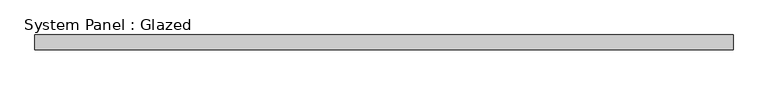
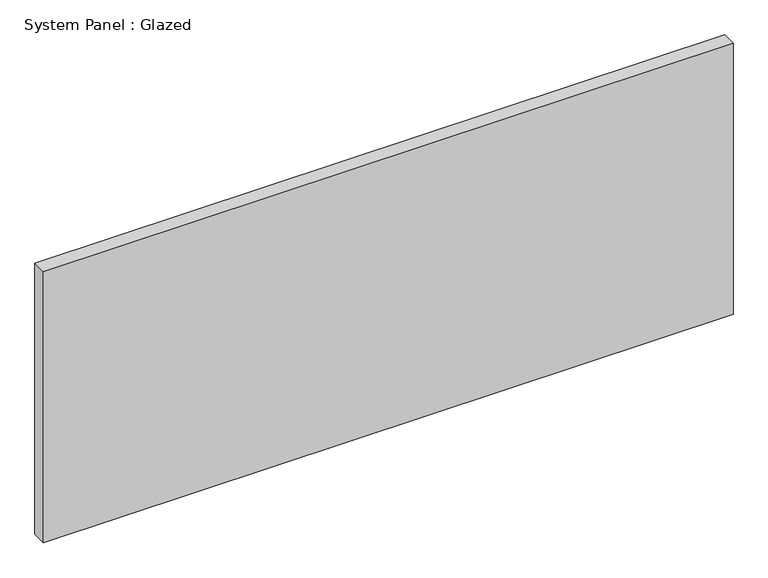
"""IFC4 building model written with IfcOpenShell, lengths in millimetres: plate geometry, System Panel : Glazed."""

from ifc_helpers import new_model, si_unit, origin, origin_with_axes, place, context, project, spatial, polyline, outline, extrude, source, transform, mapped, element, save


def system_panel_glazed_9d44ccd1(model_context):
    return source(origin(), model_context, "Body", "SweptSolid", [
        extrude(outline(polyline([(597.375, 19.05), (-597.375, 19.05), (-597.375, 44.45), (597.375, 44.45), (597.375, 19.05)])), origin_with_axes(), (0.0, 0.0, 1.0), 496.35),
    ])


if __name__ == "__main__":
    model = new_model("IFC4")
    model_context = context("Model", 3, world=origin())
    ifc_project = project(units=[si_unit("LENGTHUNIT", "METRE", prefix="MILLI")], contexts=[model_context])
    site = spatial("IfcSite", under=ifc_project)
    building = spatial("IfcBuilding", under=site)
    placement = place(None, origin())
    system_panel_glazed_shape = system_panel_glazed_9d44ccd1(model_context)
    element("IfcPlate", 1, ObjectType="System Panel : Glazed", at=placement, inside=building, context=model_context, shape_type="MappedRepresentation", body=[
        mapped(system_panel_glazed_shape, transform((0.0, 0.0, 0.0), x_axis=(1.0, 0.0, 0.0), y_axis=(0.0, 1.0, 0.0), z_axis=(0.0, 0.0, 1.0))),
    ])
    save(model, "model.ifc")
